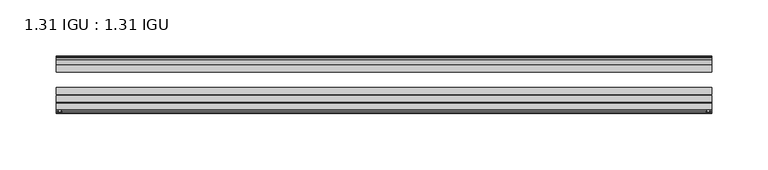
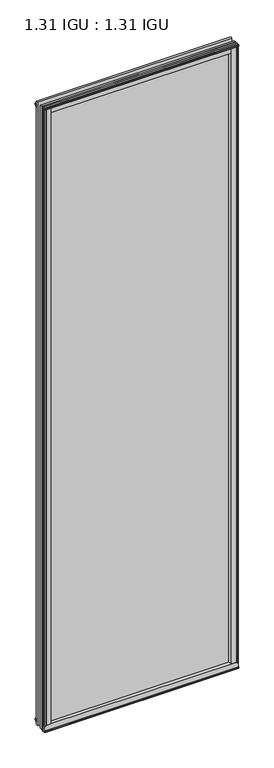
"""IFC4 building model written with IfcOpenShell, lengths in millimetres: plate geometry, 1.31 IGU : 1.31 IGU."""

import ifcopenshell
import ifcopenshell.guid

model = None  # the IFC model being written
_history = None  # IfcOwnerHistory: only IFC2X3 demands one
_inside = {}  # id of a spatial element -> (the spatial element, [elements in it])
_under = {}  # id of a project, library or spatial element -> (it, [spatial elements below it])
_declared = {}  # id of a project -> (the project, [libraries it declares])
_typed = {}  # id of a type object -> (the type object, [elements of that type])
_made_of = {}  # id of a material, layer set ... -> (it, [elements and type objects made of it])


def new_model(schema):
    """Start an empty IFC model of exactly this schema.

    Asked for "IFC4X3", IfcOpenShell would pick the latest addendum, in which some entities
    have other attributes; the version numbers below select the first issue.
    IFC2X3 requires an IfcOwnerHistory on every rooted entity: one is made here for all.
    """
    global model, _history
    if schema == "IFC4X3":
        model = ifcopenshell.file(schema_version=(4, 3, 0, 0))
    else:
        model = ifcopenshell.file(schema=schema)
    _inside.clear()
    _under.clear()
    _declared.clear()
    _typed.clear()
    _made_of.clear()
    _history = None
    if model.schema == "IFC2X3":
        org = make("IfcOrganization", Name="unknown")
        user = make(
            "IfcPersonAndOrganization",
            ThePerson=make("IfcPerson", FamilyName="unknown"),
            TheOrganization=org,
        )
        app = make(
            "IfcApplication",
            ApplicationDeveloper=org,
            Version="unknown",
            ApplicationFullName="unknown",
            ApplicationIdentifier="unknown",
        )
        _history = make(
            "IfcOwnerHistory",
            OwningUser=user,
            OwningApplication=app,
            ChangeAction="ADDED",
            CreationDate=0,
        )
    return model


def make(cls, **values):
    """One entity of the class cls with the attributes given. An attribute that is None is left unset."""
    return model.create_entity(
        cls, **{name: value for name, value in values.items() if value is not None}
    )


def rooted(cls, **values):
    """An entity with a GlobalId (a new one), such as an element, a storey or a relation."""
    return make(cls, GlobalId=ifcopenshell.guid.new(), OwnerHistory=_history, **values)


def si_unit(unit_type, name, prefix=None):
    """IfcSIUnit, for example si_unit("LENGTHUNIT", "METRE", prefix="MILLI")."""
    return make("IfcSIUnit", UnitType=unit_type, Prefix=prefix, Name=name)


def assignment(units):
    """IfcUnitAssignment: the units of a project."""
    return None if units is None else make("IfcUnitAssignment", Units=units)


def point(xyz):
    """IfcCartesianPoint."""
    return None if xyz is None else make("IfcCartesianPoint", Coordinates=xyz)


def direction(xyz):
    """IfcDirection."""
    return None if xyz is None else make("IfcDirection", DirectionRatios=xyz)


def frame(location, z_axis=None, x_axis=None):
    """IfcAxis2Placement3D, a coordinate frame: its origin and axes. An axis left out is left unset."""
    return make(
        "IfcAxis2Placement3D",
        Location=point(location),
        Axis=direction(z_axis),
        RefDirection=direction(x_axis),
    )


def frame_2d(location, x_axis=None):
    """IfcAxis2Placement2D, a coordinate frame in the plane: its origin and x axis."""
    return make(
        "IfcAxis2Placement2D", Location=point(location), RefDirection=direction(x_axis)
    )


def origin():
    """The frame at (0, 0, 0) with its axes left unset."""
    return frame((0.0, 0.0, 0.0))


def origin_with_axes():
    """The frame at (0, 0, 0) with the z axis (0, 0, 1) and the x axis (1, 0, 0) written out."""
    return frame((0.0, 0.0, 0.0), z_axis=(0.0, 0.0, 1.0), x_axis=(1.0, 0.0, 0.0))


def place(relative_to, where):
    """IfcLocalPlacement: puts the frame where relative to a parent placement (None: the world)."""
    return make(
        "IfcLocalPlacement", PlacementRelTo=relative_to, RelativePlacement=where
    )


def context(
    kind, dimensions, precision=None, world=None, true_north=None, identifier=None
):
    """IfcGeometricRepresentationContext, for example the 3D "Model" context."""
    return make(
        "IfcGeometricRepresentationContext",
        ContextIdentifier=identifier,
        ContextType=kind,
        CoordinateSpaceDimension=dimensions,
        Precision=precision,
        WorldCoordinateSystem=world,
        TrueNorth=true_north,
    )


def project(units=None, contexts=None):
    """IfcProject with its units and contexts."""
    return rooted(
        "IfcProject",
        Name="project",
        RepresentationContexts=contexts,
        UnitsInContext=assignment(units),
    )


def spatial(cls, under=None, at=None, **own):
    """A site, building, storey or space (cls), placed at a placement, below another one or the project."""
    s = rooted(cls, ObjectPlacement=at, **own)
    if under is not None:
        _under.setdefault(under.id(), (under, []))[1].append(s)
    return s


def polyline(points):
    """IfcPolyline through the points."""
    return make("IfcPolyline", Points=[point(p) for p in points])


def circle_curve(where, radius):
    """IfcCircle in the frame where."""
    return make("IfcCircle", Position=where, Radius=radius)


def trimmed(basis, trim1, trim2, sense, master):
    """IfcTrimmedCurve: the piece of a basis curve between two trims."""
    return make(
        "IfcTrimmedCurve",
        BasisCurve=basis,
        Trim1=trim1,
        Trim2=trim2,
        SenseAgreement=sense,
        MasterRepresentation=master,
    )


def segment(curve, same_sense, transition):
    """IfcCompositeCurveSegment."""
    return make(
        "IfcCompositeCurveSegment",
        Transition=transition,
        SameSense=same_sense,
        ParentCurve=curve,
    )


def composite_curve(segments, self_intersect=None):
    """IfcCompositeCurve: segments joined end to end."""
    return make("IfcCompositeCurve", Segments=segments, SelfIntersect=self_intersect)


def outline(outer, holes=None, kind="AREA"):
    """IfcArbitraryClosedProfileDef: a profile drawn as a closed curve; with holes, ...WithVoids."""
    if holes is None:
        return make("IfcArbitraryClosedProfileDef", ProfileType=kind, OuterCurve=outer)
    return make(
        "IfcArbitraryProfileDefWithVoids",
        ProfileType=kind,
        OuterCurve=outer,
        InnerCurves=holes,
    )


def extrude(swept, where, along, depth):
    """IfcExtrudedAreaSolid: the profile swept, set in the frame where, extruded along a direction by depth."""
    return make(
        "IfcExtrudedAreaSolid",
        SweptArea=swept,
        Position=where,
        ExtrudedDirection=direction(along),
        Depth=depth,
    )


def shape(context_of_items, identifier, shape_type, items):
    """IfcShapeRepresentation: the items that make up one representation, for example the "Body"."""
    return make(
        "IfcShapeRepresentation",
        ContextOfItems=context_of_items,
        RepresentationIdentifier=identifier,
        RepresentationType=shape_type,
        Items=items,
    )


def source(mapping_origin, context_of_items, identifier, shape_type, items):
    """IfcRepresentationMap: a shape defined once, which mapped items show again and again."""
    return make(
        "IfcRepresentationMap",
        MappingOrigin=mapping_origin,
        MappedRepresentation=shape(context_of_items, identifier, shape_type, items),
    )


def transform(
    local_origin,
    x_axis=None,
    y_axis=None,
    z_axis=None,
    scale=None,
    scale2=None,
    scale3=None,
    uniform=True,
):
    """IfcCartesianTransformationOperator3D, or its non-uniform kind. x_axis, y_axis, z_axis: its Axis1, 2, 3."""
    if uniform:
        return make(
            "IfcCartesianTransformationOperator3D",
            Axis1=direction(x_axis),
            Axis2=direction(y_axis),
            LocalOrigin=point(local_origin),
            Scale=scale,
            Axis3=direction(z_axis),
        )
    return make(
        "IfcCartesianTransformationOperator3DnonUniform",
        Axis1=direction(x_axis),
        Axis2=direction(y_axis),
        LocalOrigin=point(local_origin),
        Scale=scale,
        Axis3=direction(z_axis),
        Scale2=scale2,
        Scale3=scale3,
    )


def mapped(mapping_source, mapping_target):
    """IfcMappedItem: shows the shape of a source again, moved by a transform."""
    return make(
        "IfcMappedItem", MappingSource=mapping_source, MappingTarget=mapping_target
    )


def made_of(thing, what):
    """Note that an element or type object is made of a material, layer set ...; save() writes the relation."""
    if what is not None:
        _made_of.setdefault(what.id(), (what, []))[1].append(thing)
    return thing


def element(
    cls,
    number,
    at=None,
    inside=None,
    cuts=None,
    type_object=None,
    material=None,
    context=None,
    identifier="Body",
    shape_type=None,
    held_by="IfcProductDefinitionShape",
    body=None,
    shapes=None,
    **own,
):
    """One element of the class cls, such as IfcWall. Its Tag is "e" and its number.

    at: its placement. inside: the storey or other place that contains it. cuts: it is an
    opening in that element (IfcRelVoidsElement). A single representation is given by context,
    identifier, shape_type and body (its items); several are given by shapes. held_by: the class
    of the entity that holds the representations. save() writes the other relations.
    """
    e = rooted(cls, Tag="e%d" % number, ObjectPlacement=at, **own)
    if body is not None:
        shapes = [shape(context, identifier, shape_type, body)]
    if shapes is not None:
        e.Representation = make(held_by, Representations=shapes)
    if inside is not None:
        _inside.setdefault(inside.id(), (inside, []))[1].append(e)
    if cuts is not None:
        rooted(
            "IfcRelVoidsElement", RelatingBuildingElement=cuts, RelatedOpeningElement=e
        )
    if type_object is not None:
        _typed.setdefault(type_object.id(), (type_object, []))[1].append(e)
    return made_of(e, material)


def aggregate(whole, parts):
    """IfcRelAggregates: a whole, such as a stair, and the parts it consists of."""
    return rooted("IfcRelAggregates", RelatingObject=whole, RelatedObjects=parts)


def save(model, path):
    """Write the relations noted so far, then the file.

    IfcRelAggregates (storeys below a building ...), IfcRelContainedInSpatialStructure (elements
    in a storey), IfcRelDefinesByType, IfcRelAssociatesMaterial and IfcRelDeclares: one each for
    every whole, place, type object, material and project.
    """
    for whole, parts in _under.values():
        aggregate(whole, parts)
    for where, things in _inside.values():
        rooted(
            "IfcRelContainedInSpatialStructure",
            RelatedElements=things,
            RelatingStructure=where,
        )
    for kind, things in _typed.values():
        rooted("IfcRelDefinesByType", RelatedObjects=things, RelatingType=kind)
    for what, things in _made_of.values():
        rooted("IfcRelAssociatesMaterial", RelatedObjects=things, RelatingMaterial=what)
    for by, libraries in _declared.values():
        rooted("IfcRelDeclares", RelatingContext=by, RelatedDefinitions=libraries)
    model.write(path)


def plate_1_31_igu_1_31_igu_63586eac(model_context):
    return source(origin(), model_context, "Body", "SweptSolid", [
        extrude(outline(composite_curve([segment(polyline([(287.3495906, -57.6333938), (271.1648437, -57.6333938)]), True, "CONTINUOUS"), segment(trimmed(circle_curve(frame_2d((263.8701146, -57.6547678)), 7.2947605), [point((271.1648437, -57.6333938))], [point((267.4224551, -51.2833938))], True, "CARTESIAN"), True, "CONTINUOUS"), segment(polyline([(267.4224551, -51.2833938), (290.292876, -51.2833938)]), True, "CONTINUOUS"), segment(trimmed(circle_curve(frame_2d((290.292876, -52.0707938)), 0.7874), [point((290.292876, -51.2833938))], [point((291.0744069, -51.9748338))], False, "CARTESIAN"), True, "CONTINUOUS"), segment(polyline([(291.0744069, -51.9748338), (291.7691906, -57.6333938), (289.8387906, -57.6333938), (289.3815906, -59.624458), (290.3829525, -59.3561439), (290.6261906, -60.263921), (288.5941906, -60.8083938), (286.5621906, -60.263921), (286.8054288, -59.3561439), (287.8067906, -59.624458), (287.3495906, -57.6333938)]), True, "CONTINUOUS")], self_intersect=False)), origin_with_axes(), (0.0, 0.0, 1.0), 1962.15),
        extrude(outline(composite_curve([segment(polyline([(-271.4625, -57.6333937), (-287.6472469, -57.6333937), (-288.1044469, -59.624458), (-287.103085, -59.3561439), (-286.8598469, -60.263921), (-288.8918469, -60.8083937), (-290.9238469, -60.263921), (-290.6806088, -59.3561439), (-289.6792469, -59.624458), (-290.1364469, -57.6333937), (-292.0668469, -57.6333937), (-291.3720631, -51.9748338)]), True, "CONTINUOUS"), segment(trimmed(circle_curve(frame_2d((-290.5905323, -52.0707937)), 0.7874), [point((-291.3720631, -51.9748338))], [point((-290.5905323, -51.2833937))], False, "CARTESIAN"), True, "CONTINUOUS"), segment(polyline([(-290.5905323, -51.2833937), (-267.7201114, -51.2833937)]), True, "CONTINUOUS"), segment(trimmed(circle_curve(frame_2d((-264.1677708, -57.6547678)), 7.2947605), [point((-267.7201114, -51.2833937))], [point((-271.4625, -57.6333937))], True, "CARTESIAN"), True, "CONTINUOUS")], self_intersect=False)), origin_with_axes(), (0.0, 0.0, 1.0), 1962.15),
        extrude(outline(polyline([(-9.7543937, -6.8579998), (-10.4009552, -9.2709998), (-11.2596632, -9.0409097), (-10.8839895, -7.6388763), (-13.1833937, -8.3819998), (-13.1833937, -11.7850089), (-17.9585937, -10.1533914), (-17.9585937, 0.6595133), (-13.1833937, -0.5079998), (-13.1833937, -5.4609998), (-10.8839895, -6.0771233), (-11.2596632, -4.6750899), (-10.4009552, -4.4449998), (-9.7543937, -6.8579998)])), frame((-292.1, 0.0, 0.0), z_axis=(1.0, 0.0, 0.0), x_axis=(0.0, 1.0, 0.0)), (0.0, 0.0, 1.0), 583.9023437),
        extrude(outline(composite_curve([segment(polyline([(-51.9748338, -19.930016), (-57.6333937, -20.6247998), (-57.6333937, -18.6943998), (-59.624458, -18.2371998), (-59.3561439, -19.2385617), (-60.263921, -19.4817998), (-60.8083937, -17.4497998), (-60.263921, -15.4177998), (-59.3561439, -15.6610379), (-59.624458, -16.6623998), (-57.6333937, -16.2051998), (-57.6333937, 0.0127002)]), True, "CONTINUOUS"), segment(trimmed(circle_curve(frame_2d((-58.1588233, 7.9620141)), 7.9666598), [point((-57.6333937, 0.0127002))], [point((-51.2833937, 3.9375717))], True, "CARTESIAN"), True, "CONTINUOUS"), segment(polyline([(-51.2833937, 3.9375717), (-51.2833937, -19.1484852)]), True, "CONTINUOUS"), segment(trimmed(circle_curve(frame_2d((-52.0707937, -19.1484852)), 0.7874), [point((-51.2833937, -19.1484852))], [point((-51.9748338, -19.930016))], False, "CARTESIAN"), True, "CONTINUOUS")], self_intersect=False)), frame((-292.1, 0.0, 0.0), z_axis=(1.0, 0.0, 0.0), x_axis=(0.0, 1.0, 0.0)), (0.0, 0.0, 1.0), 583.9023437),
        extrude(outline(polyline([(-17.9585937, 1953.2533914), (-13.1833937, 1954.8850089), (-13.1833937, 1951.4819998), (-10.8839895, 1950.7388763), (-11.2596632, 1952.1409097), (-10.4009552, 1952.3709998), (-9.7543937, 1949.9579998), (-10.4009552, 1947.5449998), (-11.2596632, 1947.7750899), (-10.8839895, 1949.1771233), (-13.1833937, 1948.5609998), (-13.1833937, 1943.6079998), (-17.9585937, 1942.4404867), (-17.9585937, 1953.2533914)])), frame((-292.1, 0.0, 0.0), z_axis=(1.0, 0.0, 0.0), x_axis=(0.0, 1.0, 0.0)), (0.0, 0.0, 1.0), 583.9023437),
        extrude(outline(composite_curve([segment(trimmed(circle_curve(frame_2d((-52.0707937, 1962.2484852)), 0.7874), [point((-51.9748338, 1963.030016))], [point((-51.2833937, 1962.2484852))], False, "CARTESIAN"), True, "CONTINUOUS"), segment(polyline([(-51.2833937, 1962.2484852), (-51.2833937, 1939.1624283)]), True, "CONTINUOUS"), segment(trimmed(circle_curve(frame_2d((-58.1588233, 1935.1379859)), 7.9666598), [point((-51.2833937, 1939.1624283))], [point((-57.6333937, 1943.0872998))], True, "CARTESIAN"), True, "CONTINUOUS"), segment(polyline([(-57.6333937, 1943.0872998), (-57.6333937, 1959.3051998), (-59.624458, 1959.7623998), (-59.3561439, 1958.7610379), (-60.263921, 1958.5177998), (-60.8083937, 1960.5497998), (-60.263921, 1962.5817998), (-59.3561439, 1962.3385617), (-59.624458, 1961.3371998), (-57.6333937, 1961.7943998), (-57.6333937, 1963.7247998), (-51.9748338, 1963.030016)]), True, "CONTINUOUS")], self_intersect=False)), frame((-292.1, 0.0, 0.0), z_axis=(1.0, 0.0, 0.0), x_axis=(0.0, 1.0, 0.0)), (0.0, 0.0, 1.0), 583.9023437),
        extrude(outline(polyline([(-280.6888763, -10.8839895), (-282.0909097, -11.2596632), (-282.3209998, -10.4009552), (-279.9079998, -9.7543937), (-277.4949998, -10.4009552), (-277.7250899, -11.2596632), (-279.1271233, -10.8839895), (-278.5109998, -13.1833937), (-273.5579998, -13.1833937), (-272.3904867, -17.9585937), (-283.2033914, -17.9585937), (-284.8350089, -13.1833937), (-281.4319998, -13.1833937), (-280.6888763, -10.8839895)])), origin_with_axes(), (0.0, 0.0, 1.0), 1943.1),
        extrude(outline(polyline([(280.7015765, -10.8839895), (281.4447, -13.1833937), (284.8477091, -13.1833937), (283.2160916, -17.9585937), (272.4031869, -17.9585937), (273.5707, -13.1833937), (278.5237, -13.1833937), (279.1398235, -10.8839895), (277.7377901, -11.2596632), (277.5077, -10.4009552), (279.9207, -9.7543937), (282.3337, -10.4009552), (282.1036099, -11.2596632), (280.7015765, -10.8839895)])), origin_with_axes(), (0.0, 0.0, 1.0), 1943.1),
        extrude(outline(polyline([(291.8023437, -17.9585937), (291.8023437, -24.3085937), (-292.1, -24.3085937), (-292.1, -17.9585937), (291.8023437, -17.9585937)])), frame((0.0, 0.0, -19.0372998), z_axis=(0.0, 0.0, 1.0), x_axis=(1.0, 0.0, 0.0)), (0.0, 0.0, 1.0), 1981.1872998),
        extrude(outline(polyline([(-292.1, -44.1459937), (-292.1, -37.7959937), (291.8023437, -37.7959937), (291.8023437, -44.1459937), (-292.1, -44.1459937)])), frame((0.0, 0.0, -19.0372998), z_axis=(0.0, 0.0, 1.0), x_axis=(1.0, 0.0, 0.0)), (0.0, 0.0, 1.0), 1981.1872998),
        extrude(outline(polyline([(-292.1, -51.2833937), (-292.1, -44.9333937), (291.8023437, -44.9333937), (291.8023437, -51.2833937), (-292.1, -51.2833937)])), frame((0.0, 0.0, -19.0372998), z_axis=(0.0, 0.0, 1.0), x_axis=(1.0, 0.0, 0.0)), (0.0, 0.0, 1.0), 1981.1872998),
    ])


if __name__ == "__main__":
    model = new_model("IFC4")
    model_context = context("Model", 3, world=origin())
    ifc_project = project(units=[si_unit("LENGTHUNIT", "METRE", prefix="MILLI")], contexts=[model_context])
    site = spatial("IfcSite", under=ifc_project)
    building = spatial("IfcBuilding", under=site)
    placement = place(None, origin())
    plate_1_31_igu_1_31_igu_shape = plate_1_31_igu_1_31_igu_63586eac(model_context)
    element("IfcPlate", 1, ObjectType="1.31 IGU : 1.31 IGU", at=placement, inside=building, context=model_context, shape_type="MappedRepresentation", body=[
        mapped(plate_1_31_igu_1_31_igu_shape, transform((0.0, 0.0, 0.0), x_axis=(1.0, 0.0, 0.0), y_axis=(0.0, 1.0, 0.0), z_axis=(0.0, 0.0, 1.0))),
    ])
    save(model, "model.ifc")
